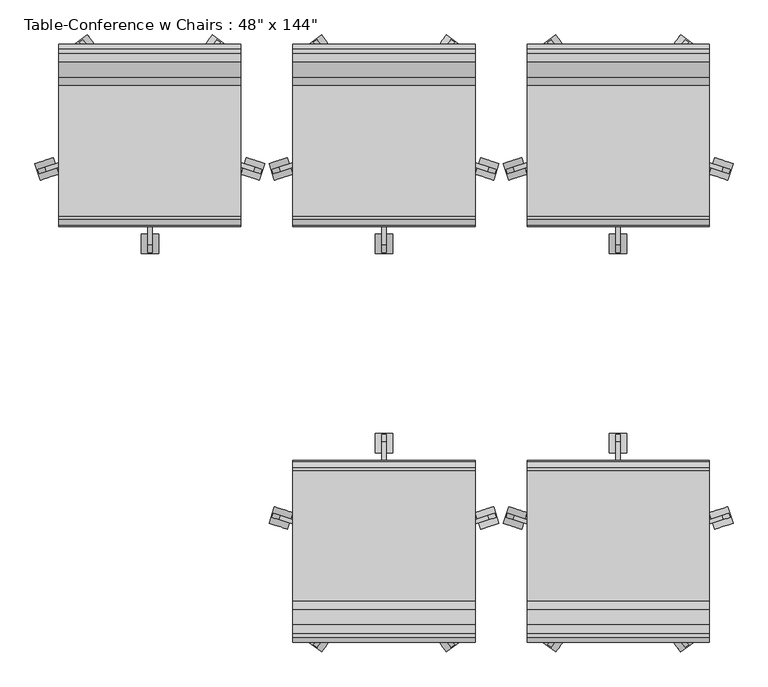
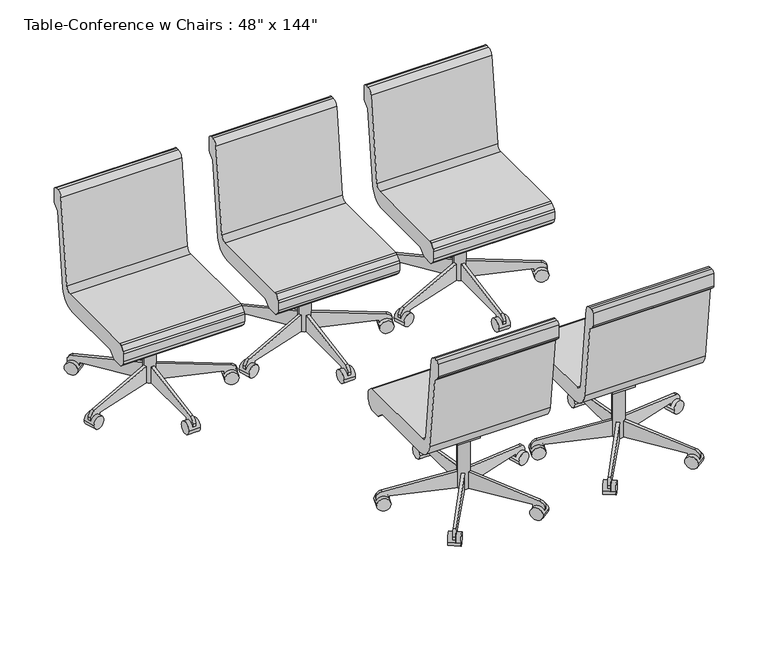
"""IFC4 building model written with IfcOpenShell, lengths in millimetres: furniture geometry."""

from ifc_helpers import new_model, si_unit, point, frame, frame_2d, origin, place, context, project, spatial, polyline, circle_curve, trimmed, segment, composite_curve, outline, extrude, source, transform, mapped, element, save


def furniture_1f150032(model_context):
    return source(origin(), model_context, "Body", "SweptSolid", [
        extrude(outline(composite_curve([segment(trimmed(circle_curve(frame_2d((754.7509471, 482.6)), 25.4), [point((754.7509471, 457.2))], [point((779.9769725, 479.6322323))], True, "CARTESIAN"), True, "CONTINUOUS"), segment(polyline([(779.9769725, 479.6322323), (825.4988002, 866.5677677)]), True, "CONTINUOUS"), segment(trimmed(circle_curve(frame_2d((850.7248255, 863.6)), 25.4), [point((825.4988002, 866.5677677))], [point((850.7248255, 889.0))], False, "CARTESIAN"), True, "CONTINUOUS"), segment(polyline([(850.7248255, 889.0), (863.6, 889.0)]), True, "CONTINUOUS"), segment(trimmed(circle_curve(frame_2d((863.6, 876.3)), 12.7), [point((863.6, 889.0))], [point((876.3, 876.3))], False, "CARTESIAN"), True, "CONTINUOUS"), segment(polyline([(876.3, 876.3), (876.3, 818.0605122)]), True, "CONTINUOUS"), segment(trimmed(circle_curve(frame_2d((863.6, 818.0605122)), 12.7), [point((876.3, 818.0605122))], [point((872.5802561, 809.0802561))], False, "CARTESIAN"), True, "CONTINUOUS"), segment(polyline([(872.5802561, 809.0802561), (850.9, 787.4), (811.3329755, 451.0802913)]), True, "CONTINUOUS"), segment(trimmed(circle_curve(frame_2d((735.6548994, 459.9835944)), 76.2), [point((811.3329755, 451.0802913))], [point((735.6548994, 383.7835944))], False, "CARTESIAN"), True, "CONTINUOUS"), segment(polyline([(735.6548994, 383.7835944), (447.4714414, 383.7835944), (419.0988732, 355.6), (368.2988732, 355.6), (350.279576, 373.7401184)]), True, "CONTINUOUS"), segment(trimmed(circle_curve(frame_2d((368.3, 391.6405184)), 25.4), [point((350.279576, 373.7401184))], [point((342.9, 391.6405184))], False, "CARTESIAN"), True, "CONTINUOUS"), segment(polyline([(342.9, 391.6405184), (342.9, 426.6837879)]), True, "CONTINUOUS"), segment(trimmed(circle_curve(frame_2d((355.6, 426.6837879)), 12.7), [point((342.9, 426.6837879))], [point((346.6498, 435.6939999))], False, "CARTESIAN"), True, "CONTINUOUS"), segment(polyline([(346.6498, 435.6939999), (364.5854716, 453.510212)]), True, "CONTINUOUS"), segment(trimmed(circle_curve(frame_2d((373.5356716, 444.5)), 12.7), [point((364.5854716, 453.510212))], [point((373.5356716, 457.2))], False, "CARTESIAN"), True, "CONTINUOUS"), segment(polyline([(373.5356716, 457.2), (754.7509471, 457.2)]), True, "CONTINUOUS")], self_intersect=False)), frame((419.1, 0.0, 0.0), z_axis=(1.0, 0.0, 0.0), x_axis=(0.0, 1.0, 0.0)), (0.0, 0.0, 1.0), 533.4),
        extrude(outline(polyline([(558.8, 383.7835944), (647.7, 383.7835944), (647.7, 283.0954134), (609.6, 283.0954134), (558.8, 371.0835944), (558.8, 383.7835944)])), frame((635.0, 0.0, 0.0), z_axis=(1.0, 0.0, 0.0), x_axis=(0.0, 1.0, 0.0)), (0.0, 0.0, 1.0), 101.6),
        extrude(outline(composite_curve([segment(polyline([(317.5, 53.5835944), (317.5, 28.1835944), (266.7, 28.1835944), (266.7, 52.4866474)]), True, "CONTINUOUS"), segment(trimmed(circle_curve(frame_2d((292.1, 52.4866474)), 25.4), [point((266.7, 52.4866474))], [point((287.6893363, 77.5007643))], False, "CARTESIAN"), True, "CONTINUOUS"), segment(polyline([(287.6893363, 77.5007643), (584.2, 129.7835944), (609.6, 129.7835944), (609.6, 53.5835944), (317.5, 53.5835944)]), True, "CONTINUOUS")], self_intersect=False)), frame((679.45, 0.0, 0.0), z_axis=(1.0, 0.0, 0.0), x_axis=(0.0, 1.0, 0.0)), (0.0, 0.0, 1.0), 12.7),
        extrude(outline(composite_curve([segment(trimmed(circle_curve(frame_2d((292.1, 28.1835944)), 28.2002727), [point((320.3002727, 28.1835944))], [point((263.8997273, 28.1835944))], False, "CARTESIAN"), True, "CONTINUOUS"), segment(trimmed(circle_curve(frame_2d((292.1, 28.1835944)), 28.2002727), [point((263.8997273, 28.1835944))], [point((320.3002727, 28.1835944))], False, "CARTESIAN"), True, "CONTINUOUS")], self_intersect=False)), frame((660.4, 0.0, 0.0), z_axis=(1.0, 0.0, 0.0), x_axis=(0.0, 1.0, 0.0)), (0.0, 0.0, 1.0), 50.8),
        extrude(outline(composite_curve([segment(polyline([(-25.4, 0.0), (0.0, 0.0), (0.0, -50.8), (-24.303053, -50.8)]), True, "CONTINUOUS"), segment(trimmed(circle_curve(frame_2d((-24.303053, -25.4)), 25.4), [point((-24.303053, -50.8))], [point((-49.3171699, -29.8106637))], False, "CARTESIAN"), True, "CONTINUOUS"), segment(polyline([(-49.3171699, -29.8106637), (-101.6, 266.7), (-101.6, 292.1), (-25.4, 292.1), (-25.4, 0.0)]), True, "CONTINUOUS")], self_intersect=False)), frame((961.6413505, 513.2969271, 28.1835944), z_axis=(0.30901699437495167, 0.9510565162951522, 0.0), x_axis=(0.0, 0.0, -1.0)), (0.0, 0.0, 1.0), 12.7),
        extrude(outline(composite_curve([segment(trimmed(circle_curve(frame_2d((0.0, -28.2002727)), 28.2002727), [point((0.0, -56.4005455))], [point((0.0, 0.0))], False, "CARTESIAN"), True, "CONTINUOUS"), segment(trimmed(circle_curve(frame_2d((0.0, -28.2002727)), 28.2002727), [point((0.0, 0.0))], [point((0.0, -56.4005455))], False, "CARTESIAN"), True, "CONTINUOUS")], self_intersect=False)), frame((1006.7314654, 478.6159053, 28.1835944), z_axis=(0.30901699437495167, 0.9510565162951522, 0.0), x_axis=(0.0, 0.0, 1.0)), (0.0, 0.0, 1.0), 50.8),
        extrude(outline(composite_curve([segment(polyline([(-25.4, 0.0), (0.0, 0.0), (0.0, -50.8), (-24.303053, -50.8)]), True, "CONTINUOUS"), segment(trimmed(circle_curve(frame_2d((-24.303053, -25.4)), 25.4), [point((-24.303053, -50.8))], [point((-49.3171699, -29.8106638))], False, "CARTESIAN"), True, "CONTINUOUS"), segment(polyline([(-49.3171699, -29.8106638), (-101.6, 266.7), (-101.6, 292.1), (-25.4, 292.1), (-25.4, 0.0)]), True, "CONTINUOUS")], self_intersect=False)), frame((862.6293301, 842.1814277, 28.1835944), z_axis=(-0.809016994374944, 0.5877852522924779, 0.0), x_axis=(0.0, 0.0, -1.0)), (0.0, 0.0, 1.0), 12.7),
        extrude(outline(composite_curve([segment(trimmed(circle_curve(frame_2d((0.0, -28.2002727)), 28.2002727), [point((0.0, -56.4005455))], [point((0.0, 0.0))], False, "CARTESIAN"), True, "CONTINUOUS"), segment(trimmed(circle_curve(frame_2d((0.0, -28.2002727)), 28.2002727), [point((0.0, 0.0))], [point((0.0, -56.4005455))], False, "CARTESIAN"), True, "CONTINUOUS")], self_intersect=False)), frame((909.5465537, 874.3476502, 28.1835944), z_axis=(-0.809016994374944, 0.587785252292478, 0.0), x_axis=(0.0, 0.0, 1.0)), (0.0, 0.0, 1.0), 50.8),
        extrude(outline(composite_curve([segment(polyline([(25.4, 0.0), (25.4, 292.1), (101.6, 292.1), (101.6, 266.7), (49.3171699, -29.8106638)]), True, "CONTINUOUS"), segment(trimmed(circle_curve(frame_2d((24.303053, -25.4)), 25.4), [point((49.3171699, -29.8106638))], [point((24.303053, -50.8))], False, "CARTESIAN"), True, "CONTINUOUS"), segment(polyline([(24.303053, -50.8), (0.0, -50.8), (0.0, 0.0), (25.4, 0.0)]), True, "CONTINUOUS")], self_intersect=False)), frame((508.9706699, 842.1814277, 28.1835944), z_axis=(0.8090169943749518, 0.5877852522924674, 0.0), x_axis=(0.0, 0.0, 1.0)), (0.0, 0.0, 1.0), 12.7),
        extrude(outline(composite_curve([segment(trimmed(circle_curve(frame_2d((0.0, -28.2002727)), 28.2002727), [point((0.0, -56.4005455))], [point((0.0, 0.0))], False, "CARTESIAN"), True, "CONTINUOUS"), segment(trimmed(circle_curve(frame_2d((0.0, -28.2002727)), 28.2002727), [point((0.0, 0.0))], [point((0.0, -56.4005455))], False, "CARTESIAN"), True, "CONTINUOUS")], self_intersect=False)), frame((462.0534463, 874.3476502, 28.1835944), z_axis=(0.8090169943749518, 0.5877852522924674, 0.0), x_axis=(0.0, 0.0, -1.0)), (0.0, 0.0, 1.0), 50.8),
        extrude(outline(composite_curve([segment(polyline([(25.4, 0.0), (25.4, 292.1), (101.6, 292.1), (101.6, 266.7), (49.3171699, -29.8106637)]), True, "CONTINUOUS"), segment(trimmed(circle_curve(frame_2d((24.303053, -25.4)), 25.4), [point((49.3171699, -29.8106637))], [point((24.303053, -50.8))], False, "CARTESIAN"), True, "CONTINUOUS"), segment(polyline([(24.303053, -50.8), (0.0, -50.8), (0.0, 0.0), (25.4, 0.0)]), True, "CONTINUOUS")], self_intersect=False)), frame((409.9586495, 513.2969271, 28.1835944), z_axis=(-0.3090169943749393, 0.9510565162951563, 0.0), x_axis=(0.0, 0.0, 1.0)), (0.0, 0.0, 1.0), 12.7),
        extrude(outline(composite_curve([segment(trimmed(circle_curve(frame_2d((0.0, -28.2002727)), 28.2002727), [point((0.0, -56.4005455))], [point((0.0, 0.0))], False, "CARTESIAN"), True, "CONTINUOUS"), segment(trimmed(circle_curve(frame_2d((0.0, -28.2002727)), 28.2002727), [point((0.0, 0.0))], [point((0.0, -56.4005455))], False, "CARTESIAN"), True, "CONTINUOUS")], self_intersect=False)), frame((364.8685346, 478.6159053, 28.1835944), z_axis=(-0.3090169943749393, 0.9510565162951563, 0.0), x_axis=(0.0, 0.0, -1.0)), (0.0, 0.0, 1.0), 50.8),
        extrude(outline(composite_curve([segment(trimmed(circle_curve(frame_2d((685.8, 609.6)), 25.4), [point((711.2, 609.6))], [point((660.4, 609.6))], False, "CARTESIAN"), True, "CONTINUOUS"), segment(trimmed(circle_curve(frame_2d((685.8, 609.6)), 25.4), [point((660.4, 609.6))], [point((711.2, 609.6))], False, "CARTESIAN"), True, "CONTINUOUS")], self_intersect=False)), frame((0.0, 0.0, 53.5835944), z_axis=(0.0, 0.0, 1.0), x_axis=(1.0, 0.0, 0.0)), (0.0, 0.0, 1.0), 330.5914056),
        extrude(outline(composite_curve([segment(trimmed(circle_curve(frame_2d((754.7509471, 482.6)), 25.4), [point((754.7509471, 457.2))], [point((779.9769725, 479.6322323))], True, "CARTESIAN"), True, "CONTINUOUS"), segment(polyline([(779.9769725, 479.6322323), (825.4988002, 866.5677677)]), True, "CONTINUOUS"), segment(trimmed(circle_curve(frame_2d((850.7248255, 863.6)), 25.4), [point((825.4988002, 866.5677677))], [point((850.7248255, 889.0))], False, "CARTESIAN"), True, "CONTINUOUS"), segment(polyline([(850.7248255, 889.0), (863.6, 889.0)]), True, "CONTINUOUS"), segment(trimmed(circle_curve(frame_2d((863.6, 876.3)), 12.7), [point((863.6, 889.0))], [point((876.3, 876.3))], False, "CARTESIAN"), True, "CONTINUOUS"), segment(polyline([(876.3, 876.3), (876.3, 818.0605122)]), True, "CONTINUOUS"), segment(trimmed(circle_curve(frame_2d((863.6, 818.0605122)), 12.7), [point((876.3, 818.0605122))], [point((872.5802561, 809.0802561))], False, "CARTESIAN"), True, "CONTINUOUS"), segment(polyline([(872.5802561, 809.0802561), (850.9, 787.4), (811.3329755, 451.0802913)]), True, "CONTINUOUS"), segment(trimmed(circle_curve(frame_2d((735.6548994, 459.9835944)), 76.2), [point((811.3329755, 451.0802913))], [point((735.6548994, 383.7835944))], False, "CARTESIAN"), True, "CONTINUOUS"), segment(polyline([(735.6548994, 383.7835944), (447.4714414, 383.7835944), (419.0988732, 355.6), (368.2988732, 355.6), (350.279576, 373.7401184)]), True, "CONTINUOUS"), segment(trimmed(circle_curve(frame_2d((368.3, 391.6405184)), 25.4), [point((350.279576, 373.7401184))], [point((342.9, 391.6405184))], False, "CARTESIAN"), True, "CONTINUOUS"), segment(polyline([(342.9, 391.6405184), (342.9, 426.6837879)]), True, "CONTINUOUS"), segment(trimmed(circle_curve(frame_2d((355.6, 426.6837879)), 12.7), [point((342.9, 426.6837879))], [point((346.6498, 435.6939999))], False, "CARTESIAN"), True, "CONTINUOUS"), segment(polyline([(346.6498, 435.6939999), (364.5854716, 453.510212)]), True, "CONTINUOUS"), segment(trimmed(circle_curve(frame_2d((373.5356716, 444.5)), 12.7), [point((364.5854716, 453.510212))], [point((373.5356716, 457.2))], False, "CARTESIAN"), True, "CONTINUOUS"), segment(polyline([(373.5356716, 457.2), (754.7509471, 457.2)]), True, "CONTINUOUS")], self_intersect=False)), frame((-266.7, 0.0, 0.0), z_axis=(1.0, 0.0, 0.0), x_axis=(0.0, 1.0, 0.0)), (0.0, 0.0, 1.0), 533.4),
        extrude(outline(polyline([(558.8, 383.7835944), (647.7, 383.7835944), (647.7, 283.0954134), (609.6, 283.0954134), (558.8, 371.0835944), (558.8, 383.7835944)])), frame((-50.8, 0.0, 0.0), z_axis=(1.0, 0.0, 0.0), x_axis=(0.0, 1.0, 0.0)), (0.0, 0.0, 1.0), 101.6),
        extrude(outline(composite_curve([segment(polyline([(317.5, 53.5835944), (317.5, 28.1835944), (266.7, 28.1835944), (266.7, 52.4866474)]), True, "CONTINUOUS"), segment(trimmed(circle_curve(frame_2d((292.1, 52.4866474)), 25.4), [point((266.7, 52.4866474))], [point((287.6893363, 77.5007643))], False, "CARTESIAN"), True, "CONTINUOUS"), segment(polyline([(287.6893363, 77.5007643), (584.2, 129.7835944), (609.6, 129.7835944), (609.6, 53.5835944), (317.5, 53.5835944)]), True, "CONTINUOUS")], self_intersect=False)), frame((-6.35, 0.0, 0.0), z_axis=(1.0, 0.0, 0.0), x_axis=(0.0, 1.0, 0.0)), (0.0, 0.0, 1.0), 12.7),
        extrude(outline(composite_curve([segment(trimmed(circle_curve(frame_2d((292.1, 28.1835944)), 28.2002727), [point((320.3002727, 28.1835944))], [point((263.8997273, 28.1835944))], False, "CARTESIAN"), True, "CONTINUOUS"), segment(trimmed(circle_curve(frame_2d((292.1, 28.1835944)), 28.2002727), [point((263.8997273, 28.1835944))], [point((320.3002727, 28.1835944))], False, "CARTESIAN"), True, "CONTINUOUS")], self_intersect=False)), frame((-25.4, 0.0, 0.0), z_axis=(1.0, 0.0, 0.0), x_axis=(0.0, 1.0, 0.0)), (0.0, 0.0, 1.0), 50.8),
        extrude(outline(composite_curve([segment(polyline([(-25.4, 0.0), (0.0, 0.0), (0.0, -50.8), (-24.303053, -50.8)]), True, "CONTINUOUS"), segment(trimmed(circle_curve(frame_2d((-24.303053, -25.4)), 25.4), [point((-24.303053, -50.8))], [point((-49.3171699, -29.8106637))], False, "CARTESIAN"), True, "CONTINUOUS"), segment(polyline([(-49.3171699, -29.8106637), (-101.6, 266.7), (-101.6, 292.1), (-25.4, 292.1), (-25.4, 0.0)]), True, "CONTINUOUS")], self_intersect=False)), frame((275.8413505, 513.2969271, 28.1835944), z_axis=(0.30901699437495167, 0.9510565162951522, 0.0), x_axis=(0.0, 0.0, -1.0)), (0.0, 0.0, 1.0), 12.7),
        extrude(outline(composite_curve([segment(trimmed(circle_curve(frame_2d((0.0, -28.2002727)), 28.2002727), [point((0.0, -56.4005455))], [point((0.0, 0.0))], False, "CARTESIAN"), True, "CONTINUOUS"), segment(trimmed(circle_curve(frame_2d((0.0, -28.2002727)), 28.2002727), [point((0.0, 0.0))], [point((0.0, -56.4005455))], False, "CARTESIAN"), True, "CONTINUOUS")], self_intersect=False)), frame((320.9314654, 478.6159053, 28.1835944), z_axis=(0.30901699437495167, 0.9510565162951522, 0.0), x_axis=(0.0, 0.0, 1.0)), (0.0, 0.0, 1.0), 50.8),
        extrude(outline(composite_curve([segment(polyline([(-25.4, 0.0), (0.0, 0.0), (0.0, -50.8), (-24.303053, -50.8)]), True, "CONTINUOUS"), segment(trimmed(circle_curve(frame_2d((-24.303053, -25.4)), 25.4), [point((-24.303053, -50.8))], [point((-49.3171699, -29.8106638))], False, "CARTESIAN"), True, "CONTINUOUS"), segment(polyline([(-49.3171699, -29.8106638), (-101.6, 266.7), (-101.6, 292.1), (-25.4, 292.1), (-25.4, 0.0)]), True, "CONTINUOUS")], self_intersect=False)), frame((176.8293301, 842.1814277, 28.1835944), z_axis=(-0.809016994374944, 0.5877852522924779, 0.0), x_axis=(0.0, 0.0, -1.0)), (0.0, 0.0, 1.0), 12.7),
        extrude(outline(composite_curve([segment(trimmed(circle_curve(frame_2d((0.0, -28.2002727)), 28.2002727), [point((0.0, -56.4005455))], [point((0.0, 0.0))], False, "CARTESIAN"), True, "CONTINUOUS"), segment(trimmed(circle_curve(frame_2d((0.0, -28.2002727)), 28.2002727), [point((0.0, 0.0))], [point((0.0, -56.4005455))], False, "CARTESIAN"), True, "CONTINUOUS")], self_intersect=False)), frame((223.7465537, 874.3476502, 28.1835944), z_axis=(-0.809016994374944, 0.587785252292478, 0.0), x_axis=(0.0, 0.0, 1.0)), (0.0, 0.0, 1.0), 50.8),
        extrude(outline(composite_curve([segment(polyline([(25.4, 0.0), (25.4, 292.1), (101.6, 292.1), (101.6, 266.7), (49.3171699, -29.8106638)]), True, "CONTINUOUS"), segment(trimmed(circle_curve(frame_2d((24.303053, -25.4)), 25.4), [point((49.3171699, -29.8106638))], [point((24.303053, -50.8))], False, "CARTESIAN"), True, "CONTINUOUS"), segment(polyline([(24.303053, -50.8), (0.0, -50.8), (0.0, 0.0), (25.4, 0.0)]), True, "CONTINUOUS")], self_intersect=False)), frame((-176.8293301, 842.1814277, 28.1835944), z_axis=(0.8090169943749518, 0.5877852522924674, 0.0), x_axis=(0.0, 0.0, 1.0)), (0.0, 0.0, 1.0), 12.7),
        extrude(outline(composite_curve([segment(trimmed(circle_curve(frame_2d((0.0, -28.2002727)), 28.2002727), [point((0.0, -56.4005455))], [point((0.0, 0.0))], False, "CARTESIAN"), True, "CONTINUOUS"), segment(trimmed(circle_curve(frame_2d((0.0, -28.2002727)), 28.2002727), [point((0.0, 0.0))], [point((0.0, -56.4005455))], False, "CARTESIAN"), True, "CONTINUOUS")], self_intersect=False)), frame((-223.7465537, 874.3476502, 28.1835944), z_axis=(0.8090169943749518, 0.5877852522924674, 0.0), x_axis=(0.0, 0.0, -1.0)), (0.0, 0.0, 1.0), 50.8),
        extrude(outline(composite_curve([segment(polyline([(25.4, 0.0), (25.4, 292.1), (101.6, 292.1), (101.6, 266.7), (49.3171699, -29.8106637)]), True, "CONTINUOUS"), segment(trimmed(circle_curve(frame_2d((24.303053, -25.4)), 25.4), [point((49.3171699, -29.8106637))], [point((24.303053, -50.8))], False, "CARTESIAN"), True, "CONTINUOUS"), segment(polyline([(24.303053, -50.8), (0.0, -50.8), (0.0, 0.0), (25.4, 0.0)]), True, "CONTINUOUS")], self_intersect=False)), frame((-275.8413505, 513.2969271, 28.1835944), z_axis=(-0.3090169943749393, 0.9510565162951563, 0.0), x_axis=(0.0, 0.0, 1.0)), (0.0, 0.0, 1.0), 12.7),
        extrude(outline(composite_curve([segment(trimmed(circle_curve(frame_2d((0.0, -28.2002727)), 28.2002727), [point((0.0, -56.4005455))], [point((0.0, 0.0))], False, "CARTESIAN"), True, "CONTINUOUS"), segment(trimmed(circle_curve(frame_2d((0.0, -28.2002727)), 28.2002727), [point((0.0, 0.0))], [point((0.0, -56.4005455))], False, "CARTESIAN"), True, "CONTINUOUS")], self_intersect=False)), frame((-320.9314654, 478.6159053, 28.1835944), z_axis=(-0.3090169943749393, 0.9510565162951563, 0.0), x_axis=(0.0, 0.0, -1.0)), (0.0, 0.0, 1.0), 50.8),
        extrude(outline(composite_curve([segment(trimmed(circle_curve(frame_2d((0.0, 609.6)), 25.4), [point((25.4, 609.6))], [point((-25.4, 609.6))], False, "CARTESIAN"), True, "CONTINUOUS"), segment(trimmed(circle_curve(frame_2d((0.0, 609.6)), 25.4), [point((-25.4, 609.6))], [point((25.4, 609.6))], False, "CARTESIAN"), True, "CONTINUOUS")], self_intersect=False)), frame((0.0, 0.0, 53.5835944), z_axis=(0.0, 0.0, 1.0), x_axis=(1.0, 0.0, 0.0)), (0.0, 0.0, 1.0), 330.5914056),
        extrude(outline(composite_curve([segment(polyline([(-754.7509471, 457.2), (-373.5356716, 457.2)]), True, "CONTINUOUS"), segment(trimmed(circle_curve(frame_2d((-373.5356716, 444.5)), 12.7), [point((-373.5356716, 457.2))], [point((-364.5854716, 453.510212))], False, "CARTESIAN"), True, "CONTINUOUS"), segment(polyline([(-364.5854716, 453.510212), (-346.6498, 435.6939999)]), True, "CONTINUOUS"), segment(trimmed(circle_curve(frame_2d((-355.6, 426.6837879)), 12.7), [point((-346.6498, 435.6939999))], [point((-342.9, 426.6837879))], False, "CARTESIAN"), True, "CONTINUOUS"), segment(polyline([(-342.9, 426.6837879), (-342.9, 391.6405184)]), True, "CONTINUOUS"), segment(trimmed(circle_curve(frame_2d((-368.3, 391.6405184)), 25.4), [point((-342.9, 391.6405184))], [point((-350.279576, 373.7401184))], False, "CARTESIAN"), True, "CONTINUOUS"), segment(polyline([(-350.279576, 373.7401184), (-368.2988732, 355.6), (-419.0988732, 355.6), (-447.4714414, 383.7835944), (-735.6548994, 383.7835944)]), True, "CONTINUOUS"), segment(trimmed(circle_curve(frame_2d((-735.6548994, 459.9835944)), 76.2), [point((-735.6548994, 383.7835944))], [point((-811.3329755, 451.0802913))], False, "CARTESIAN"), True, "CONTINUOUS"), segment(polyline([(-811.3329755, 451.0802913), (-850.9, 787.4), (-872.5802561, 809.0802561)]), True, "CONTINUOUS"), segment(trimmed(circle_curve(frame_2d((-863.6, 818.0605122)), 12.7), [point((-872.5802561, 809.0802561))], [point((-876.3, 818.0605122))], False, "CARTESIAN"), True, "CONTINUOUS"), segment(polyline([(-876.3, 818.0605122), (-876.3, 876.3)]), True, "CONTINUOUS"), segment(trimmed(circle_curve(frame_2d((-863.6, 876.3)), 12.7), [point((-876.3, 876.3))], [point((-863.6, 889.0))], False, "CARTESIAN"), True, "CONTINUOUS"), segment(polyline([(-863.6, 889.0), (-850.7248255, 889.0)]), True, "CONTINUOUS"), segment(trimmed(circle_curve(frame_2d((-850.7248255, 863.6)), 25.4), [point((-850.7248255, 889.0))], [point((-825.4988002, 866.5677677))], False, "CARTESIAN"), True, "CONTINUOUS"), segment(polyline([(-825.4988002, 866.5677677), (-779.9769725, 479.6322323)]), True, "CONTINUOUS"), segment(trimmed(circle_curve(frame_2d((-754.7509471, 482.6)), 25.4), [point((-779.9769725, 479.6322323))], [point((-754.7509471, 457.2))], True, "CARTESIAN"), True, "CONTINUOUS")], self_intersect=False)), frame((419.1, 0.0, 0.0), z_axis=(1.0, 0.0, 0.0), x_axis=(0.0, 1.0, 0.0)), (0.0, 0.0, 1.0), 533.4),
        extrude(outline(polyline([(-558.8, 383.7835944), (-558.8, 371.0835944), (-609.6, 283.0954134), (-647.7, 283.0954134), (-647.7, 383.7835944), (-558.8, 383.7835944)])), frame((635.0, 0.0, 0.0), z_axis=(1.0, 0.0, 0.0), x_axis=(0.0, 1.0, 0.0)), (0.0, 0.0, 1.0), 101.6),
        extrude(outline(composite_curve([segment(polyline([(-317.5, 53.5835944), (-609.6, 53.5835944), (-609.6, 129.7835944), (-584.2, 129.7835944), (-287.6893363, 77.5007643)]), True, "CONTINUOUS"), segment(trimmed(circle_curve(frame_2d((-292.1, 52.4866474)), 25.4), [point((-287.6893363, 77.5007643))], [point((-266.7, 52.4866474))], False, "CARTESIAN"), True, "CONTINUOUS"), segment(polyline([(-266.7, 52.4866474), (-266.7, 28.1835944), (-317.5, 28.1835944), (-317.5, 53.5835944)]), True, "CONTINUOUS")], self_intersect=False)), frame((679.45, 0.0, 0.0), z_axis=(1.0, 0.0, 0.0), x_axis=(0.0, 1.0, 0.0)), (0.0, 0.0, 1.0), 12.7),
        extrude(outline(composite_curve([segment(trimmed(circle_curve(frame_2d((-292.1, 28.1835944)), 28.2002727), [point((-320.3002727, 28.1835944))], [point((-263.8997273, 28.1835944))], False, "CARTESIAN"), True, "CONTINUOUS"), segment(trimmed(circle_curve(frame_2d((-292.1, 28.1835944)), 28.2002727), [point((-263.8997273, 28.1835944))], [point((-320.3002727, 28.1835944))], False, "CARTESIAN"), True, "CONTINUOUS")], self_intersect=False)), frame((660.4, 0.0, 0.0), z_axis=(1.0, 0.0, 0.0), x_axis=(0.0, 1.0, 0.0)), (0.0, 0.0, 1.0), 50.8),
        extrude(outline(composite_curve([segment(polyline([(25.4, 0.0), (25.4, 292.1), (101.6, 292.1), (101.6, 266.7), (49.3171699, -29.8106637)]), True, "CONTINUOUS"), segment(trimmed(circle_curve(frame_2d((24.303053, -25.4)), 25.4), [point((49.3171699, -29.8106637))], [point((24.303053, -50.8000001))], False, "CARTESIAN"), True, "CONTINUOUS"), segment(polyline([(24.303053, -50.8000001), (0.0, -50.8000001), (0.0, 0.0), (25.4, 0.0)]), True, "CONTINUOUS")], self_intersect=False)), frame((406.0341337, -525.3753448, 28.1835944), z_axis=(0.3090169943749487, 0.9510565162951532, 0.0), x_axis=(0.0, 0.0, 1.0)), (0.0, 0.0, 1.0), 12.7),
        extrude(outline(composite_curve([segment(trimmed(circle_curve(frame_2d((0.0, -28.2002727)), 28.2002727), [point((0.0, -56.4005454))], [point((0.0, 0.0))], False, "CARTESIAN"), True, "CONTINUOUS"), segment(trimmed(circle_curve(frame_2d((0.0, -28.2002727)), 28.2002727), [point((0.0, 0.0))], [point((0.0, -56.4005454))], False, "CARTESIAN"), True, "CONTINUOUS")], self_intersect=False)), frame((349.1704713, -526.9295763, 28.1835944), z_axis=(0.3090169943749487, 0.9510565162951532, 0.0), x_axis=(0.0, 0.0, -1.0)), (0.0, 0.0, 1.0), 50.8),
        extrude(outline(composite_curve([segment(polyline([(25.4, 0.0), (25.4, 292.1), (101.6, 292.1), (101.6, 266.7), (49.3171699, -29.8106638)]), True, "CONTINUOUS"), segment(trimmed(circle_curve(frame_2d((24.303053, -25.4)), 25.4), [point((49.3171699, -29.8106638))], [point((24.303053, -50.8))], False, "CARTESIAN"), True, "CONTINUOUS"), segment(polyline([(24.303053, -50.8), (0.0, -50.8), (0.0, 0.0), (25.4, 0.0)]), True, "CONTINUOUS")], self_intersect=False)), frame((519.2451857, -849.6463004, 28.1835944), z_axis=(-0.8090169943749459, 0.5877852522924754, 0.0), x_axis=(0.0, 0.0, 1.0)), (0.0, 0.0, 1.0), 12.7),
        extrude(outline(composite_curve([segment(trimmed(circle_curve(frame_2d((0.0, -28.2002728)), 28.2002727), [point((0.0, -56.4005455))], [point((0.0, 0.0))], False, "CARTESIAN"), True, "CONTINUOUS"), segment(trimmed(circle_curve(frame_2d((0.0, -28.2002728)), 28.2002727), [point((0.0, 0.0))], [point((0.0, -56.4005455))], False, "CARTESIAN"), True, "CONTINUOUS")], self_intersect=False)), frame((503.1515096, -904.207141, 28.1835944), z_axis=(-0.8090169943749458, 0.5877852522924754, 0.0), x_axis=(0.0, 0.0, -1.0)), (0.0, 0.0, 1.0), 50.8),
        extrude(outline(composite_curve([segment(polyline([(-25.4, 0.0), (0.0, 0.0), (0.0, -50.8), (-24.303053, -50.8)]), True, "CONTINUOUS"), segment(trimmed(circle_curve(frame_2d((-24.303053, -25.4)), 25.4), [point((-24.303053, -50.8))], [point((-49.3171699, -29.8106638))], False, "CARTESIAN"), True, "CONTINUOUS"), segment(polyline([(-49.3171699, -29.8106638), (-101.6, 266.7), (-101.6, 292.1), (-25.4, 292.1), (-25.4, 0.0)]), True, "CONTINUOUS")], self_intersect=False)), frame((852.3548143, -849.6463004, 28.1835944), z_axis=(0.8090169943749499, 0.5877852522924699, 0.0), x_axis=(0.0, 0.0, -1.0)), (0.0, 0.0, 1.0), 12.7),
        extrude(outline(composite_curve([segment(trimmed(circle_curve(frame_2d((0.0, -28.2002728)), 28.2002727), [point((0.0, -56.4005455))], [point((0.0, 0.0))], False, "CARTESIAN"), True, "CONTINUOUS"), segment(trimmed(circle_curve(frame_2d((0.0, -28.2002728)), 28.2002727), [point((0.0, 0.0))], [point((0.0, -56.4005455))], False, "CARTESIAN"), True, "CONTINUOUS")], self_intersect=False)), frame((868.4484904, -904.207141, 28.1835944), z_axis=(0.8090169943749499, 0.5877852522924699, 0.0), x_axis=(0.0, 0.0, 1.0)), (0.0, 0.0, 1.0), 50.8),
        extrude(outline(composite_curve([segment(polyline([(-25.4, 0.0), (0.0, 0.0), (0.0, -50.8000001), (-24.303053, -50.8000001)]), True, "CONTINUOUS"), segment(trimmed(circle_curve(frame_2d((-24.303053, -25.4)), 25.4), [point((-24.303053, -50.8000001))], [point((-49.3171699, -29.8106637))], False, "CARTESIAN"), True, "CONTINUOUS"), segment(polyline([(-49.3171699, -29.8106637), (-101.6, 266.7), (-101.6, 292.1), (-25.4, 292.1), (-25.4, 0.0)]), True, "CONTINUOUS")], self_intersect=False)), frame((965.5658663, -525.3753448, 28.1835944), z_axis=(-0.3090169943749423, 0.9510565162951553, 0.0), x_axis=(0.0, 0.0, -1.0)), (0.0, 0.0, 1.0), 12.7),
        extrude(outline(composite_curve([segment(trimmed(circle_curve(frame_2d((0.0, -28.2002727)), 28.2002727), [point((0.0, -56.4005454))], [point((0.0, 0.0))], False, "CARTESIAN"), True, "CONTINUOUS"), segment(trimmed(circle_curve(frame_2d((0.0, -28.2002727)), 28.2002727), [point((0.0, 0.0))], [point((0.0, -56.4005454))], False, "CARTESIAN"), True, "CONTINUOUS")], self_intersect=False)), frame((1022.4295287, -526.9295763, 28.1835944), z_axis=(-0.3090169943749423, 0.9510565162951553, 0.0), x_axis=(0.0, 0.0, 1.0)), (0.0, 0.0, 1.0), 50.8),
        extrude(outline(composite_curve([segment(trimmed(circle_curve(frame_2d((685.8, -609.6)), 25.4), [point((660.4, -609.6))], [point((711.2, -609.6))], False, "CARTESIAN"), True, "CONTINUOUS"), segment(trimmed(circle_curve(frame_2d((685.8, -609.6)), 25.4), [point((711.2, -609.6))], [point((660.4, -609.6))], False, "CARTESIAN"), True, "CONTINUOUS")], self_intersect=False)), frame((0.0, 0.0, 53.5835944), z_axis=(0.0, 0.0, 1.0), x_axis=(1.0, 0.0, 0.0)), (0.0, 0.0, 1.0), 330.5914056),
        extrude(outline(composite_curve([segment(polyline([(-754.7509471, 457.2), (-373.5356716, 457.2)]), True, "CONTINUOUS"), segment(trimmed(circle_curve(frame_2d((-373.5356716, 444.5)), 12.7), [point((-373.5356716, 457.2))], [point((-364.5854716, 453.510212))], False, "CARTESIAN"), True, "CONTINUOUS"), segment(polyline([(-364.5854716, 453.510212), (-346.6498, 435.6939999)]), True, "CONTINUOUS"), segment(trimmed(circle_curve(frame_2d((-355.6, 426.6837879)), 12.7), [point((-346.6498, 435.6939999))], [point((-342.9, 426.6837879))], False, "CARTESIAN"), True, "CONTINUOUS"), segment(polyline([(-342.9, 426.6837879), (-342.9, 391.6405184)]), True, "CONTINUOUS"), segment(trimmed(circle_curve(frame_2d((-368.3, 391.6405184)), 25.4), [point((-342.9, 391.6405184))], [point((-350.279576, 373.7401184))], False, "CARTESIAN"), True, "CONTINUOUS"), segment(polyline([(-350.279576, 373.7401184), (-368.2988732, 355.6), (-419.0988732, 355.6), (-447.4714414, 383.7835944), (-735.6548994, 383.7835944)]), True, "CONTINUOUS"), segment(trimmed(circle_curve(frame_2d((-735.6548994, 459.9835944)), 76.2), [point((-735.6548994, 383.7835944))], [point((-811.3329755, 451.0802913))], False, "CARTESIAN"), True, "CONTINUOUS"), segment(polyline([(-811.3329755, 451.0802913), (-850.9, 787.4), (-872.5802561, 809.0802561)]), True, "CONTINUOUS"), segment(trimmed(circle_curve(frame_2d((-863.6, 818.0605122)), 12.7), [point((-872.5802561, 809.0802561))], [point((-876.3, 818.0605122))], False, "CARTESIAN"), True, "CONTINUOUS"), segment(polyline([(-876.3, 818.0605122), (-876.3, 876.3)]), True, "CONTINUOUS"), segment(trimmed(circle_curve(frame_2d((-863.6, 876.3)), 12.7), [point((-876.3, 876.3))], [point((-863.6, 889.0))], False, "CARTESIAN"), True, "CONTINUOUS"), segment(polyline([(-863.6, 889.0), (-850.7248255, 889.0)]), True, "CONTINUOUS"), segment(trimmed(circle_curve(frame_2d((-850.7248255, 863.6)), 25.4), [point((-850.7248255, 889.0))], [point((-825.4988002, 866.5677677))], False, "CARTESIAN"), True, "CONTINUOUS"), segment(polyline([(-825.4988002, 866.5677677), (-779.9769725, 479.6322323)]), True, "CONTINUOUS"), segment(trimmed(circle_curve(frame_2d((-754.7509471, 482.6)), 25.4), [point((-779.9769725, 479.6322323))], [point((-754.7509471, 457.2))], True, "CARTESIAN"), True, "CONTINUOUS")], self_intersect=False)), frame((-266.7, 0.0, 0.0), z_axis=(1.0, 0.0, 0.0), x_axis=(0.0, 1.0, 0.0)), (0.0, 0.0, 1.0), 533.4),
        extrude(outline(polyline([(-558.8, 383.7835944), (-558.8, 371.0835944), (-609.6, 283.0954134), (-647.7, 283.0954134), (-647.7, 383.7835944), (-558.8, 383.7835944)])), frame((-50.8, 0.0, 0.0), z_axis=(1.0, 0.0, 0.0), x_axis=(0.0, 1.0, 0.0)), (0.0, 0.0, 1.0), 101.6),
        extrude(outline(composite_curve([segment(polyline([(-317.5, 53.5835944), (-609.6, 53.5835944), (-609.6, 129.7835944), (-584.2, 129.7835944), (-287.6893363, 77.5007643)]), True, "CONTINUOUS"), segment(trimmed(circle_curve(frame_2d((-292.1, 52.4866474)), 25.4), [point((-287.6893363, 77.5007643))], [point((-266.7, 52.4866474))], False, "CARTESIAN"), True, "CONTINUOUS"), segment(polyline([(-266.7, 52.4866474), (-266.7, 28.1835944), (-317.5, 28.1835944), (-317.5, 53.5835944)]), True, "CONTINUOUS")], self_intersect=False)), frame((-6.35, 0.0, 0.0), z_axis=(1.0, 0.0, 0.0), x_axis=(0.0, 1.0, 0.0)), (0.0, 0.0, 1.0), 12.7),
        extrude(outline(composite_curve([segment(trimmed(circle_curve(frame_2d((-292.1, 28.1835944)), 28.2002727), [point((-320.3002727, 28.1835944))], [point((-263.8997273, 28.1835944))], False, "CARTESIAN"), True, "CONTINUOUS"), segment(trimmed(circle_curve(frame_2d((-292.1, 28.1835944)), 28.2002727), [point((-263.8997273, 28.1835944))], [point((-320.3002727, 28.1835944))], False, "CARTESIAN"), True, "CONTINUOUS")], self_intersect=False)), frame((-25.4, 0.0, 0.0), z_axis=(1.0, 0.0, 0.0), x_axis=(0.0, 1.0, 0.0)), (0.0, 0.0, 1.0), 50.8),
        extrude(outline(composite_curve([segment(polyline([(25.4, 0.0), (25.4, 292.1), (101.6, 292.1), (101.6, 266.7), (49.3171699, -29.8106637)]), True, "CONTINUOUS"), segment(trimmed(circle_curve(frame_2d((24.303053, -25.4)), 25.4), [point((49.3171699, -29.8106637))], [point((24.303053, -50.8000001))], False, "CARTESIAN"), True, "CONTINUOUS"), segment(polyline([(24.303053, -50.8000001), (0.0, -50.8000001), (0.0, 0.0), (25.4, 0.0)]), True, "CONTINUOUS")], self_intersect=False)), frame((-279.7658663, -525.3753448, 28.1835944), z_axis=(0.3090169943749487, 0.9510565162951532, 0.0), x_axis=(0.0, 0.0, 1.0)), (0.0, 0.0, 1.0), 12.7),
        extrude(outline(composite_curve([segment(trimmed(circle_curve(frame_2d((0.0, -28.2002727)), 28.2002727), [point((0.0, -56.4005454))], [point((0.0, 0.0))], False, "CARTESIAN"), True, "CONTINUOUS"), segment(trimmed(circle_curve(frame_2d((0.0, -28.2002727)), 28.2002727), [point((0.0, 0.0))], [point((0.0, -56.4005454))], False, "CARTESIAN"), True, "CONTINUOUS")], self_intersect=False)), frame((-336.6295287, -526.9295763, 28.1835944), z_axis=(0.3090169943749487, 0.9510565162951532, 0.0), x_axis=(0.0, 0.0, -1.0)), (0.0, 0.0, 1.0), 50.8),
        extrude(outline(composite_curve([segment(polyline([(25.4, 0.0), (25.4, 292.1), (101.6, 292.1), (101.6, 266.7), (49.3171699, -29.8106638)]), True, "CONTINUOUS"), segment(trimmed(circle_curve(frame_2d((24.303053, -25.4)), 25.4), [point((49.3171699, -29.8106638))], [point((24.303053, -50.8))], False, "CARTESIAN"), True, "CONTINUOUS"), segment(polyline([(24.303053, -50.8), (0.0, -50.8), (0.0, 0.0), (25.4, 0.0)]), True, "CONTINUOUS")], self_intersect=False)), frame((-166.5548143, -849.6463004, 28.1835944), z_axis=(-0.8090169943749459, 0.5877852522924754, 0.0), x_axis=(0.0, 0.0, 1.0)), (0.0, 0.0, 1.0), 12.7),
        extrude(outline(composite_curve([segment(trimmed(circle_curve(frame_2d((0.0, -28.2002728)), 28.2002727), [point((0.0, -56.4005455))], [point((0.0, 0.0))], False, "CARTESIAN"), True, "CONTINUOUS"), segment(trimmed(circle_curve(frame_2d((0.0, -28.2002728)), 28.2002727), [point((0.0, 0.0))], [point((0.0, -56.4005455))], False, "CARTESIAN"), True, "CONTINUOUS")], self_intersect=False)), frame((-182.6484904, -904.207141, 28.1835944), z_axis=(-0.8090169943749458, 0.5877852522924754, 0.0), x_axis=(0.0, 0.0, -1.0)), (0.0, 0.0, 1.0), 50.8),
        extrude(outline(composite_curve([segment(polyline([(-25.4, 0.0), (0.0, 0.0), (0.0, -50.8), (-24.303053, -50.8)]), True, "CONTINUOUS"), segment(trimmed(circle_curve(frame_2d((-24.303053, -25.4)), 25.4), [point((-24.303053, -50.8))], [point((-49.3171699, -29.8106638))], False, "CARTESIAN"), True, "CONTINUOUS"), segment(polyline([(-49.3171699, -29.8106638), (-101.6, 266.7), (-101.6, 292.1), (-25.4, 292.1), (-25.4, 0.0)]), True, "CONTINUOUS")], self_intersect=False)), frame((166.5548143, -849.6463004, 28.1835944), z_axis=(0.8090169943749499, 0.5877852522924699, 0.0), x_axis=(0.0, 0.0, -1.0)), (0.0, 0.0, 1.0), 12.7),
        extrude(outline(composite_curve([segment(trimmed(circle_curve(frame_2d((0.0, -28.2002728)), 28.2002727), [point((0.0, -56.4005455))], [point((0.0, 0.0))], False, "CARTESIAN"), True, "CONTINUOUS"), segment(trimmed(circle_curve(frame_2d((0.0, -28.2002728)), 28.2002727), [point((0.0, 0.0))], [point((0.0, -56.4005455))], False, "CARTESIAN"), True, "CONTINUOUS")], self_intersect=False)), frame((182.6484904, -904.207141, 28.1835944), z_axis=(0.8090169943749499, 0.5877852522924699, 0.0), x_axis=(0.0, 0.0, 1.0)), (0.0, 0.0, 1.0), 50.8),
        extrude(outline(composite_curve([segment(polyline([(-25.4, 0.0), (0.0, 0.0), (0.0, -50.8000001), (-24.303053, -50.8000001)]), True, "CONTINUOUS"), segment(trimmed(circle_curve(frame_2d((-24.303053, -25.4)), 25.4), [point((-24.303053, -50.8000001))], [point((-49.3171699, -29.8106637))], False, "CARTESIAN"), True, "CONTINUOUS"), segment(polyline([(-49.3171699, -29.8106637), (-101.6, 266.7), (-101.6, 292.1), (-25.4, 292.1), (-25.4, 0.0)]), True, "CONTINUOUS")], self_intersect=False)), frame((279.7658663, -525.3753448, 28.1835944), z_axis=(-0.3090169943749423, 0.9510565162951553, 0.0), x_axis=(0.0, 0.0, -1.0)), (0.0, 0.0, 1.0), 12.7),
        extrude(outline(composite_curve([segment(trimmed(circle_curve(frame_2d((0.0, -28.2002727)), 28.2002727), [point((0.0, -56.4005454))], [point((0.0, 0.0))], False, "CARTESIAN"), True, "CONTINUOUS"), segment(trimmed(circle_curve(frame_2d((0.0, -28.2002727)), 28.2002727), [point((0.0, 0.0))], [point((0.0, -56.4005454))], False, "CARTESIAN"), True, "CONTINUOUS")], self_intersect=False)), frame((336.6295287, -526.9295763, 28.1835944), z_axis=(-0.3090169943749423, 0.9510565162951553, 0.0), x_axis=(0.0, 0.0, 1.0)), (0.0, 0.0, 1.0), 50.8),
        extrude(outline(composite_curve([segment(trimmed(circle_curve(frame_2d((0.0, -609.6)), 25.4), [point((-25.4, -609.6))], [point((25.4, -609.6))], False, "CARTESIAN"), True, "CONTINUOUS"), segment(trimmed(circle_curve(frame_2d((0.0, -609.6)), 25.4), [point((25.4, -609.6))], [point((-25.4, -609.6))], False, "CARTESIAN"), True, "CONTINUOUS")], self_intersect=False)), frame((0.0, 0.0, 53.5835944), z_axis=(0.0, 0.0, 1.0), x_axis=(1.0, 0.0, 0.0)), (0.0, 0.0, 1.0), 330.5914056),
        extrude(outline(composite_curve([segment(trimmed(circle_curve(frame_2d((754.7509471, 482.6)), 25.4), [point((754.7509471, 457.2))], [point((779.9769725, 479.6322323))], True, "CARTESIAN"), True, "CONTINUOUS"), segment(polyline([(779.9769725, 479.6322323), (825.4988002, 866.5677677)]), True, "CONTINUOUS"), segment(trimmed(circle_curve(frame_2d((850.7248255, 863.6)), 25.4), [point((825.4988002, 866.5677677))], [point((850.7248255, 889.0))], False, "CARTESIAN"), True, "CONTINUOUS"), segment(polyline([(850.7248255, 889.0), (863.6, 889.0)]), True, "CONTINUOUS"), segment(trimmed(circle_curve(frame_2d((863.6, 876.3)), 12.7), [point((863.6, 889.0))], [point((876.3, 876.3))], False, "CARTESIAN"), True, "CONTINUOUS"), segment(polyline([(876.3, 876.3), (876.3, 818.0605122)]), True, "CONTINUOUS"), segment(trimmed(circle_curve(frame_2d((863.6, 818.0605122)), 12.7), [point((876.3, 818.0605122))], [point((872.5802561, 809.0802561))], False, "CARTESIAN"), True, "CONTINUOUS"), segment(polyline([(872.5802561, 809.0802561), (850.9, 787.4), (811.3329755, 451.0802913)]), True, "CONTINUOUS"), segment(trimmed(circle_curve(frame_2d((735.6548994, 459.9835944)), 76.2), [point((811.3329755, 451.0802913))], [point((735.6548994, 383.7835944))], False, "CARTESIAN"), True, "CONTINUOUS"), segment(polyline([(735.6548994, 383.7835944), (447.4714414, 383.7835944), (419.0988732, 355.6), (368.2988732, 355.6), (350.279576, 373.7401184)]), True, "CONTINUOUS"), segment(trimmed(circle_curve(frame_2d((368.3, 391.6405184)), 25.4), [point((350.279576, 373.7401184))], [point((342.9, 391.6405184))], False, "CARTESIAN"), True, "CONTINUOUS"), segment(polyline([(342.9, 391.6405184), (342.9, 426.6837879)]), True, "CONTINUOUS"), segment(trimmed(circle_curve(frame_2d((355.6, 426.6837879)), 12.7), [point((342.9, 426.6837879))], [point((346.6498, 435.6939999))], False, "CARTESIAN"), True, "CONTINUOUS"), segment(polyline([(346.6498, 435.6939999), (364.5854716, 453.510212)]), True, "CONTINUOUS"), segment(trimmed(circle_curve(frame_2d((373.5356716, 444.5)), 12.7), [point((364.5854716, 453.510212))], [point((373.5356716, 457.2))], False, "CARTESIAN"), True, "CONTINUOUS"), segment(polyline([(373.5356716, 457.2), (754.7509471, 457.2)]), True, "CONTINUOUS")], self_intersect=False)), frame((-952.5, 0.0, 0.0), z_axis=(1.0, 0.0, 0.0), x_axis=(0.0, 1.0, 0.0)), (0.0, 0.0, 1.0), 533.4),
        extrude(outline(polyline([(558.8, 383.7835944), (647.7, 383.7835944), (647.7, 283.0954134), (609.6, 283.0954134), (558.8, 371.0835944), (558.8, 383.7835944)])), frame((-736.6, 0.0, 0.0), z_axis=(1.0, 0.0, 0.0), x_axis=(0.0, 1.0, 0.0)), (0.0, 0.0, 1.0), 101.6),
        extrude(outline(composite_curve([segment(polyline([(317.5, 53.5835944), (317.5, 28.1835944), (266.7, 28.1835944), (266.7, 52.4866474)]), True, "CONTINUOUS"), segment(trimmed(circle_curve(frame_2d((292.1, 52.4866474)), 25.4), [point((266.7, 52.4866474))], [point((287.6893363, 77.5007643))], False, "CARTESIAN"), True, "CONTINUOUS"), segment(polyline([(287.6893363, 77.5007643), (584.2, 129.7835944), (609.6, 129.7835944), (609.6, 53.5835944), (317.5, 53.5835944)]), True, "CONTINUOUS")], self_intersect=False)), frame((-692.15, 0.0, 0.0), z_axis=(1.0, 0.0, 0.0), x_axis=(0.0, 1.0, 0.0)), (0.0, 0.0, 1.0), 12.7),
        extrude(outline(composite_curve([segment(trimmed(circle_curve(frame_2d((292.1, 28.1835944)), 28.2002727), [point((320.3002727, 28.1835944))], [point((263.8997273, 28.1835944))], False, "CARTESIAN"), True, "CONTINUOUS"), segment(trimmed(circle_curve(frame_2d((292.1, 28.1835944)), 28.2002727), [point((263.8997273, 28.1835944))], [point((320.3002727, 28.1835944))], False, "CARTESIAN"), True, "CONTINUOUS")], self_intersect=False)), frame((-711.2, 0.0, 0.0), z_axis=(1.0, 0.0, 0.0), x_axis=(0.0, 1.0, 0.0)), (0.0, 0.0, 1.0), 50.8),
        extrude(outline(composite_curve([segment(polyline([(-25.4, 0.0), (0.0, 0.0), (0.0, -50.8), (-24.303053, -50.8)]), True, "CONTINUOUS"), segment(trimmed(circle_curve(frame_2d((-24.303053, -25.4)), 25.4), [point((-24.303053, -50.8))], [point((-49.3171699, -29.8106637))], False, "CARTESIAN"), True, "CONTINUOUS"), segment(polyline([(-49.3171699, -29.8106637), (-101.6, 266.7), (-101.6, 292.1), (-25.4, 292.1), (-25.4, 0.0)]), True, "CONTINUOUS")], self_intersect=False)), frame((-409.9586495, 513.2969271, 28.1835944), z_axis=(0.30901699437495167, 0.9510565162951522, 0.0), x_axis=(0.0, 0.0, -1.0)), (0.0, 0.0, 1.0), 12.7),
        extrude(outline(composite_curve([segment(trimmed(circle_curve(frame_2d((0.0, -28.2002727)), 28.2002727), [point((0.0, -56.4005455))], [point((0.0, 0.0))], False, "CARTESIAN"), True, "CONTINUOUS"), segment(trimmed(circle_curve(frame_2d((0.0, -28.2002727)), 28.2002727), [point((0.0, 0.0))], [point((0.0, -56.4005455))], False, "CARTESIAN"), True, "CONTINUOUS")], self_intersect=False)), frame((-364.8685346, 478.6159053, 28.1835944), z_axis=(0.30901699437495167, 0.9510565162951522, 0.0), x_axis=(0.0, 0.0, 1.0)), (0.0, 0.0, 1.0), 50.8),
        extrude(outline(composite_curve([segment(polyline([(-25.4, 0.0), (0.0, 0.0), (0.0, -50.8), (-24.303053, -50.8)]), True, "CONTINUOUS"), segment(trimmed(circle_curve(frame_2d((-24.303053, -25.4)), 25.4), [point((-24.303053, -50.8))], [point((-49.3171699, -29.8106638))], False, "CARTESIAN"), True, "CONTINUOUS"), segment(polyline([(-49.3171699, -29.8106638), (-101.6, 266.7), (-101.6, 292.1), (-25.4, 292.1), (-25.4, 0.0)]), True, "CONTINUOUS")], self_intersect=False)), frame((-508.9706699, 842.1814277, 28.1835944), z_axis=(-0.809016994374944, 0.5877852522924779, 0.0), x_axis=(0.0, 0.0, -1.0)), (0.0, 0.0, 1.0), 12.7),
        extrude(outline(composite_curve([segment(trimmed(circle_curve(frame_2d((0.0, -28.2002727)), 28.2002727), [point((0.0, -56.4005455))], [point((0.0, 0.0))], False, "CARTESIAN"), True, "CONTINUOUS"), segment(trimmed(circle_curve(frame_2d((0.0, -28.2002727)), 28.2002727), [point((0.0, 0.0))], [point((0.0, -56.4005455))], False, "CARTESIAN"), True, "CONTINUOUS")], self_intersect=False)), frame((-462.0534463, 874.3476502, 28.1835944), z_axis=(-0.809016994374944, 0.587785252292478, 0.0), x_axis=(0.0, 0.0, 1.0)), (0.0, 0.0, 1.0), 50.8),
        extrude(outline(composite_curve([segment(polyline([(25.4, 0.0), (25.4, 292.1), (101.6, 292.1), (101.6, 266.7), (49.3171699, -29.8106638)]), True, "CONTINUOUS"), segment(trimmed(circle_curve(frame_2d((24.303053, -25.4)), 25.4), [point((49.3171699, -29.8106638))], [point((24.303053, -50.8))], False, "CARTESIAN"), True, "CONTINUOUS"), segment(polyline([(24.303053, -50.8), (0.0, -50.8), (0.0, 0.0), (25.4, 0.0)]), True, "CONTINUOUS")], self_intersect=False)), frame((-862.6293301, 842.1814277, 28.1835944), z_axis=(0.8090169943749518, 0.5877852522924674, 0.0), x_axis=(0.0, 0.0, 1.0)), (0.0, 0.0, 1.0), 12.7),
        extrude(outline(composite_curve([segment(trimmed(circle_curve(frame_2d((0.0, -28.2002727)), 28.2002727), [point((0.0, -56.4005455))], [point((0.0, 0.0))], False, "CARTESIAN"), True, "CONTINUOUS"), segment(trimmed(circle_curve(frame_2d((0.0, -28.2002727)), 28.2002727), [point((0.0, 0.0))], [point((0.0, -56.4005455))], False, "CARTESIAN"), True, "CONTINUOUS")], self_intersect=False)), frame((-909.5465537, 874.3476502, 28.1835944), z_axis=(0.8090169943749518, 0.5877852522924674, 0.0), x_axis=(0.0, 0.0, -1.0)), (0.0, 0.0, 1.0), 50.8),
        extrude(outline(composite_curve([segment(polyline([(25.4, 0.0), (25.4, 292.1), (101.6, 292.1), (101.6, 266.7), (49.3171699, -29.8106637)]), True, "CONTINUOUS"), segment(trimmed(circle_curve(frame_2d((24.303053, -25.4)), 25.4), [point((49.3171699, -29.8106637))], [point((24.303053, -50.8))], False, "CARTESIAN"), True, "CONTINUOUS"), segment(polyline([(24.303053, -50.8), (0.0, -50.8), (0.0, 0.0), (25.4, 0.0)]), True, "CONTINUOUS")], self_intersect=False)), frame((-961.6413505, 513.2969271, 28.1835944), z_axis=(-0.3090169943749393, 0.9510565162951563, 0.0), x_axis=(0.0, 0.0, 1.0)), (0.0, 0.0, 1.0), 12.7),
        extrude(outline(composite_curve([segment(trimmed(circle_curve(frame_2d((0.0, -28.2002727)), 28.2002727), [point((0.0, -56.4005455))], [point((0.0, 0.0))], False, "CARTESIAN"), True, "CONTINUOUS"), segment(trimmed(circle_curve(frame_2d((0.0, -28.2002727)), 28.2002727), [point((0.0, 0.0))], [point((0.0, -56.4005455))], False, "CARTESIAN"), True, "CONTINUOUS")], self_intersect=False)), frame((-1006.7314654, 478.6159053, 28.1835944), z_axis=(-0.3090169943749393, 0.9510565162951563, 0.0), x_axis=(0.0, 0.0, -1.0)), (0.0, 0.0, 1.0), 50.8),
        extrude(outline(composite_curve([segment(trimmed(circle_curve(frame_2d((-685.8, 609.6)), 25.4), [point((-660.4, 609.6))], [point((-711.2, 609.6))], False, "CARTESIAN"), True, "CONTINUOUS"), segment(trimmed(circle_curve(frame_2d((-685.8, 609.6)), 25.4), [point((-711.2, 609.6))], [point((-660.4, 609.6))], False, "CARTESIAN"), True, "CONTINUOUS")], self_intersect=False)), frame((0.0, 0.0, 53.5835944), z_axis=(0.0, 0.0, 1.0), x_axis=(1.0, 0.0, 0.0)), (0.0, 0.0, 1.0), 330.5914056),
    ])


if __name__ == "__main__":
    model = new_model("IFC4")
    model_context = context("Model", 3, world=origin())
    ifc_project = project(units=[si_unit("LENGTHUNIT", "METRE", prefix="MILLI")], contexts=[model_context])
    site = spatial("IfcSite", under=ifc_project)
    building = spatial("IfcBuilding", under=site)
    placement = place(None, origin())
    furniture_shape = furniture_1f150032(model_context)
    element("IfcFurniture", 1, ObjectType="Table-Conference w Chairs : 48\" x 144\"", at=placement, inside=building, context=model_context, shape_type="MappedRepresentation", body=[
        mapped(furniture_shape, transform((0.0, 0.0, 0.0), x_axis=(1.0, 0.0, 0.0), y_axis=(0.0, 1.0, 0.0), z_axis=(0.0, 0.0, 1.0))),
    ])
    save(model, "model.ifc")
